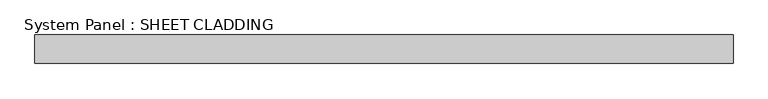
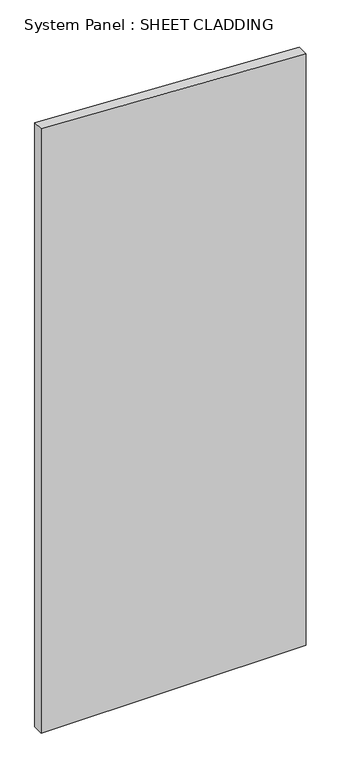
"""IFC4 building model written with IfcOpenShell, lengths in millimetres: plate geometry, System Panel : SHEET CLADDING."""

from ifc_helpers import new_model, si_unit, frame, origin, place, context, project, spatial, polyline, outline, extrude, source, transform, mapped, element, save


def system_panel_sheet_cladding_fd9ce92d(model_context):
    return source(origin(), model_context, "Body", "SweptSolid", [
        extrude(outline(polyline([(0.0, -735.4591837), (0.0, 735.4591837), (3472.6255102, 735.4591837), (3546.1714286, -735.4591837), (0.0, -735.4591837)])), frame((0.0, -10.5, 0.0), z_axis=(0.0, 1.0, 0.0), x_axis=(0.0, 0.0, 1.0)), (0.0, 0.0, 1.0), 60.0),
    ])


if __name__ == "__main__":
    model = new_model("IFC4")
    model_context = context("Model", 3, world=origin())
    ifc_project = project(units=[si_unit("LENGTHUNIT", "METRE", prefix="MILLI")], contexts=[model_context])
    site = spatial("IfcSite", under=ifc_project)
    building = spatial("IfcBuilding", under=site)
    placement = place(None, origin())
    system_panel_sheet_cladding_shape = system_panel_sheet_cladding_fd9ce92d(model_context)
    element("IfcPlate", 1, ObjectType="System Panel : SHEET CLADDING", at=placement, inside=building, context=model_context, shape_type="MappedRepresentation", body=[
        mapped(system_panel_sheet_cladding_shape, transform((0.0, 0.0, 0.0), x_axis=(1.0, 0.0, 0.0), y_axis=(0.0, 1.0, 0.0), z_axis=(0.0, 0.0, 1.0))),
    ])
    save(model, "model.ifc")
